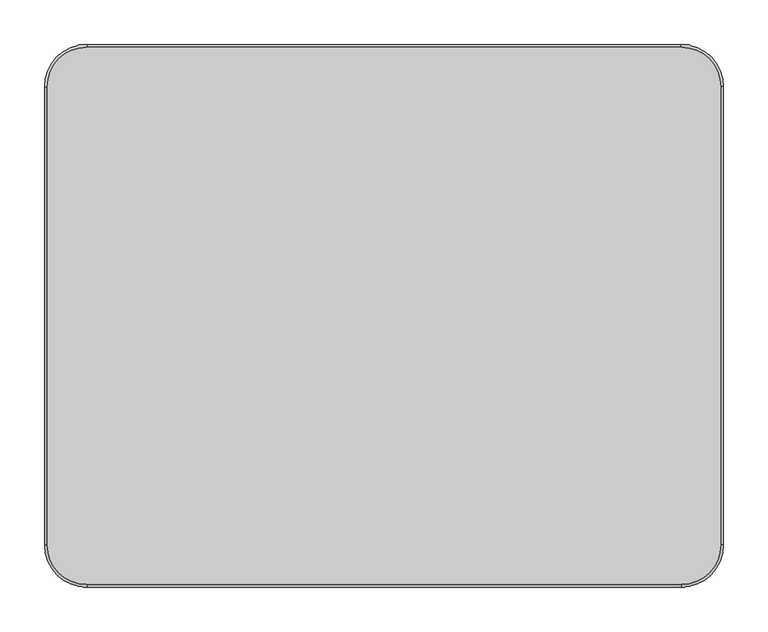
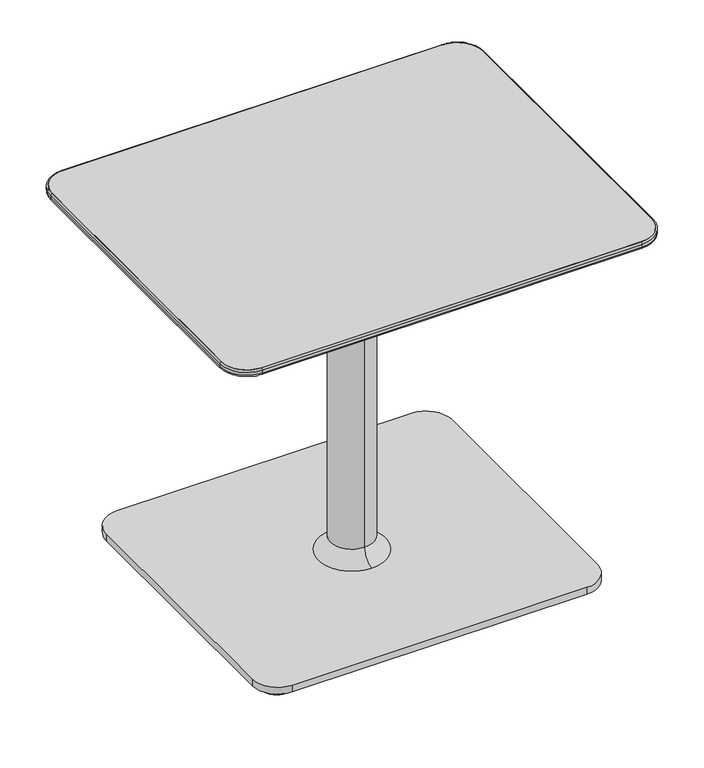
"""IFC4 building model written with IfcOpenShell, lengths in millimetres: furniture geometry."""

from ifc_helpers import new_model, si_unit, point, frame, frame_2d, origin, origin_with_axes, place, context, project, spatial, polyline, circle_curve, ellipse_curve, trimmed, segment, composite_curve, outline, extrude, source, transform, mapped, element, save
from ifc_brep_helpers import plane_surface, cylinder_surface, revolved_surface, spline_surface, advanced_brep


def furniture_f893dfc3(model_context):
    return source(origin(), model_context, "Body", "SolidModel", [
        advanced_brep(
        [(378.2570059, 257.3038988, 648.3724172), (333.8070059, 301.7538988, 648.3724172), (-333.1969941, 301.7538988, 648.3724172), (-377.6469941, 257.3038988, 648.3724172), (-377.6469941, -257.3038988, 648.3724172), (-333.1969941, -301.7538988, 648.3724172), (333.8070059, -301.7538988, 648.3724172), (378.2570059, -257.3038988, 648.3724172), (310.4389826, 233.9365202, 630.3099277), (310.4389826, -233.9365202, 630.3099277), (-309.8289709, -233.9365202, 630.3099277), (-309.8289709, 233.9365202, 630.3099277)],
        [
            (0, 1, circle_curve(frame((333.8070059, 257.3038988, 648.3724172), z_axis=(0.0, 0.0, 1.0), x_axis=(1.0, 0.0, 0.0)), 44.45)),
            (1, 2),
            (2, 3, circle_curve(frame((-333.1969941, 257.3038988, 648.3724172), z_axis=(0.0, 0.0, 1.0), x_axis=(1.0, 0.0, 0.0)), 44.45)),
            (3, 4),
            (4, 5, circle_curve(frame((-333.1969941, -257.3038988, 648.3724172), z_axis=(0.0, 0.0, 1.0), x_axis=(1.0, 0.0, 0.0)), 44.45)),
            (5, 6),
            (6, 7, circle_curve(frame((333.8070059, -257.3038988, 648.3724172), z_axis=(0.0, 0.0, 1.0), x_axis=(1.0, 0.0, 0.0)), 44.45)),
            (7, 0),
            (8, 9),
            (9, 10),
            (10, 11),
            (11, 8),
            (0, 8),
            (8, 1),
            (11, 2),
            (11, 3),
            (10, 4),
            (10, 5),
            (9, 6),
            (9, 7),
        ],
        [
            plane_surface(frame((0.3050059, 0.0, 648.3724172), z_axis=(0.0, 0.0, 1.0), x_axis=(-1.0, 0.0, 0.0))),
            plane_surface(frame((0.3050059, 0.0, 630.3099277), z_axis=(0.0, 0.0, -1.0), x_axis=(-1.0, 0.0, 0.0))),
            spline_surface(2, 1, [[(310.4389826, 233.9365202, 630.3099277), (378.2570059, 257.3038988, 648.3724172)], [(310.4389826, 233.9365202, 630.3099277), (378.2570059000001, 301.75389880000006, 648.3724172)], [(310.4389826, 233.9365202, 630.3099277), (333.8070059, 301.7538988, 648.3724172)]], [3, 3], [2, 2], [0.0, 1.0], [0.0, 1.0], weights=[[1.0, 1.0], [0.7071067811865471, 0.7071067811865471], [1.0, 1.0]]),
            plane_surface(frame((0.3050059, 233.9365202, 630.3099277), z_axis=(0.0, 0.25736805130347623, -0.9663134513025529), x_axis=(-1.0, 0.0, 0.0))),
            spline_surface(2, 1, [[(-309.8289709, 233.9365202, 630.3099277), (-333.1969941, 301.7538988, 648.3724172)], [(-309.8289709, 233.9365202, 630.3099277), (-377.6469941, 301.7538988, 648.3724172)], [(-309.8289709, 233.9365202, 630.3099277), (-377.6469941, 257.3038988, 648.3724172)]], [3, 3], [2, 2], [0.0, 1.0], [0.0, 1.0], weights=[[1.0, 1.0], [0.7071067811865476, 0.7071067811865476], [1.0, 1.0]]),
            plane_surface(frame((-309.8289709, 0.0, 630.3099277), z_axis=(-0.2573657667501397, 0.0, -0.966314059767896), x_axis=(0.0, -1.0, 0.0))),
            spline_surface(2, 1, [[(-309.8289709, -233.9365202, 630.3099277), (-377.6469941, -257.3038988, 648.3724172)], [(-309.8289709, -233.9365202, 630.3099277), (-377.6469941, -301.7538988, 648.3724172)], [(-309.8289709, -233.9365202, 630.3099277), (-333.1969941, -301.7538988, 648.3724172)]], [3, 3], [2, 2], [0.0, 1.0], [0.0, 1.0], weights=[[1.0, 1.0], [0.7071067811865476, 0.7071067811865476], [1.0, 1.0]]),
            plane_surface(frame((0.3050059, -233.9365202, 630.3099277), z_axis=(0.0, -0.257368051303476, -0.966313451302553), x_axis=(1.0, 0.0, 0.0))),
            spline_surface(2, 1, [[(310.4389826, -233.9365202, 630.3099277), (333.8070059, -301.7538988, 648.3724172)], [(310.4389826, -233.9365202, 630.3099277), (378.25700589999997, -301.75389879999994, 648.3724172)], [(310.4389826, -233.9365202, 630.3099277), (378.2570059, -257.3038988, 648.3724172)]], [3, 3], [2, 2], [0.0, 1.0], [0.0, 1.0], weights=[[1.0, 1.0], [0.707106781186548, 0.707106781186548], [1.0, 1.0]]),
            plane_surface(frame((310.4389826, 0.0, 630.3099277), z_axis=(0.2573657667501397, 0.0, -0.966314059767896), x_axis=(0.0, 1.0, 0.0))),
        ],
        [
            (0, [[1, 2, 3, 4, 5, 6, 7, 8]]),
            (1, [[9, 10, 11, 12]]),
            (2, [[-1, 13, 14]]),
            (3, [[-12, 15, -2, -14]]),
            (4, [[-3, -15, 16]]),
            (5, [[-11, 17, -4, -16]]),
            (6, [[-5, -17, 18]]),
            (7, [[-10, 19, -6, -18]]),
            (8, [[-7, -19, 20]]),
            (9, [[-9, -13, -8, -20]]),
        ],
    ),
        extrude(outline(composite_curve([segment(trimmed(circle_curve(frame_2d((333.8070059, 257.3038988)), 44.45), [point((333.8070059, 301.7538988))], [point((378.2570059, 257.3038988))], False, "CARTESIAN"), True, "CONTINUOUS"), segment(polyline([(378.2570059, 257.3038988), (378.2570059, -257.3038988)]), True, "CONTINUOUS"), segment(trimmed(circle_curve(frame_2d((333.8070059, -257.3038988)), 44.45), [point((378.2570059, -257.3038988))], [point((333.8070059, -301.7538988))], False, "CARTESIAN"), True, "CONTINUOUS"), segment(polyline([(333.8070059, -301.7538988), (-333.1969941, -301.7538988)]), True, "CONTINUOUS"), segment(trimmed(circle_curve(frame_2d((-333.1969941, -257.3038988)), 44.45), [point((-333.1969941, -301.7538988))], [point((-377.6469941, -257.3038988))], False, "CARTESIAN"), True, "CONTINUOUS"), segment(polyline([(-377.6469941, -257.3038988), (-377.6469941, 257.3038988)]), True, "CONTINUOUS"), segment(trimmed(circle_curve(frame_2d((-333.1969941, 257.3038988)), 44.45), [point((-377.6469941, 257.3038988))], [point((-333.1969941, 301.7538988))], False, "CARTESIAN"), True, "CONTINUOUS"), segment(polyline([(-333.1969941, 301.7538988), (333.8070059, 301.7538988)]), True, "CONTINUOUS")], self_intersect=False)), frame((0.0, 0.0, 648.3724172), z_axis=(0.0, 0.0, 1.0), x_axis=(1.0, 0.0, 0.0)), (0.0, 0.0, 1.0), 12.0275828),
        extrude(outline(composite_curve([segment(trimmed(circle_curve(frame_2d((-263.0703146, 226.8029495)), 25.4), [point((-288.4703146, 226.8029495))], [point((-237.6703146, 226.8029495))], False, "CARTESIAN"), True, "CONTINUOUS"), segment(trimmed(circle_curve(frame_2d((-263.0703146, 226.8029495)), 25.4), [point((-237.6703146, 226.8029495))], [point((-288.4703146, 226.8029495))], False, "CARTESIAN"), True, "CONTINUOUS")], self_intersect=False)), origin_with_axes(), (0.0, 0.0, 1.0), 10.6571495),
        extrude(outline(composite_curve([segment(trimmed(circle_curve(frame_2d((263.6803263, 226.8029495)), 25.4), [point((238.2803263, 226.8029495))], [point((289.0803263, 226.8029495))], False, "CARTESIAN"), True, "CONTINUOUS"), segment(trimmed(circle_curve(frame_2d((263.6803263, 226.8029495)), 25.4), [point((289.0803263, 226.8029495))], [point((238.2803263, 226.8029495))], False, "CARTESIAN"), True, "CONTINUOUS")], self_intersect=False)), origin_with_axes(), (0.0, 0.0, 1.0), 10.6571495),
        extrude(outline(composite_curve([segment(trimmed(circle_curve(frame_2d((263.6803263, -226.8029495)), 25.4), [point((238.2803263, -226.8029495))], [point((289.0803263, -226.8029495))], False, "CARTESIAN"), True, "CONTINUOUS"), segment(trimmed(circle_curve(frame_2d((263.6803263, -226.8029495)), 25.4), [point((289.0803263, -226.8029495))], [point((238.2803263, -226.8029495))], False, "CARTESIAN"), True, "CONTINUOUS")], self_intersect=False)), origin_with_axes(), (0.0, 0.0, 1.0), 10.6571495),
        extrude(outline(composite_curve([segment(trimmed(circle_curve(frame_2d((-263.0703146, -226.8029495)), 25.4), [point((-288.4703146, -226.8029495))], [point((-237.6703146, -226.8029495))], False, "CARTESIAN"), True, "CONTINUOUS"), segment(trimmed(circle_curve(frame_2d((-263.0703146, -226.8029495)), 25.4), [point((-237.6703146, -226.8029495))], [point((-288.4703146, -226.8029495))], False, "CARTESIAN"), True, "CONTINUOUS")], self_intersect=False)), origin_with_axes(), (0.0, 0.0, 1.0), 10.6571495),
        extrude(outline(composite_curve([segment(trimmed(circle_curve(frame_2d((259.1310059, 222.2481833)), 44.45), [point((259.1310059, 266.6981833))], [point((303.5810059, 222.2481833))], False, "CARTESIAN"), True, "CONTINUOUS"), segment(polyline([(303.5810059, 222.2481833), (303.5810059, -222.2481833)]), True, "CONTINUOUS"), segment(trimmed(circle_curve(frame_2d((259.1310059, -222.2481833)), 44.45), [point((303.5810059, -222.2481833))], [point((259.1310059, -266.6981833))], False, "CARTESIAN"), True, "CONTINUOUS"), segment(polyline([(259.1310059, -266.6981833), (-258.5209941, -266.6981833)]), True, "CONTINUOUS"), segment(trimmed(circle_curve(frame_2d((-258.5209941, -222.2481833)), 44.45), [point((-258.5209941, -266.6981833))], [point((-302.9709941, -222.2481833))], False, "CARTESIAN"), True, "CONTINUOUS"), segment(polyline([(-302.9709941, -222.2481833), (-302.9709941, 222.2481833)]), True, "CONTINUOUS"), segment(trimmed(circle_curve(frame_2d((-258.5209941, 222.2481833)), 44.45), [point((-302.9709941, 222.2481833))], [point((-258.5209941, 266.6981833))], False, "CARTESIAN"), True, "CONTINUOUS"), segment(polyline([(-258.5209941, 266.6981833), (259.1310059, 266.6981833)]), True, "CONTINUOUS")], self_intersect=False)), frame((0.0, 0.0, 10.6571495), z_axis=(0.0, 0.0, 1.0), x_axis=(1.0, 0.0, 0.0)), (0.0, 0.0, 1.0), 12.7000004),
        advanced_brep(
        [(-380.6930954, 257.3038988, 652.1656816), (-333.1969941, 304.8, 652.1656816), (-333.1969941, 301.7538988, 648.3724172), (-377.6469941, 257.3038988, 648.3724172), (-380.6930954, 257.3038988, 657.3538988), (-333.1969941, 304.8, 657.3538988), (-377.6469941, 257.3038988, 660.4), (-333.1969941, 301.7538988, 660.4), (-377.6469941, -257.3038988, 648.3724172), (-380.6930954, -257.3038988, 652.1656816), (-380.6930954, -257.3038988, 657.3538988), (-377.6469941, -257.3038988, 660.4), (-333.1969941, -304.8, 652.1656816), (-333.1969941, -301.7538988, 648.3724172), (-333.1969941, -304.8, 657.3538988), (-333.1969941, -301.7538988, 660.4), (333.8070059, -301.7538988, 648.3724172), (333.8070059, -304.8, 652.1656816), (333.8070059, -304.8, 657.3538988), (333.8070059, -301.7538988, 660.4), (381.3031071, -257.3038988, 652.1656816), (378.2570059, -257.3038988, 648.3724172), (381.3031071, -257.3038988, 657.3538988), (378.2570059, -257.3038988, 660.4), (378.2570059, 257.3038988, 648.3724172), (381.3031071, 257.3038988, 652.1656816), (381.3031071, 257.3038988, 657.3538988), (378.2570059, 257.3038988, 660.4), (333.8070059, 304.8, 652.1656816), (333.8070059, 301.7538988, 648.3724172), (333.8070059, 304.8, 657.3538988), (333.8070059, 301.7538988, 660.4)],
        [
            (0, 1, circle_curve(frame((-333.1969941, 257.3038988, 652.1656816), z_axis=(0.0, 0.0, -1.0), x_axis=(0.0, 1.0, 0.0)), 47.4961012)),
            (1, 2, circle_curve(frame((-333.1969941, 300.9151017, 652.1656816), z_axis=(-1.0, 0.0, 0.0), x_axis=(0.0, -1.0, 0.0)), 3.8848983)),
            (2, 3, circle_curve(frame((-333.1969941, 257.3038988, 648.3724172), z_axis=(0.0, 0.0, 1.0), x_axis=(0.0, 1.0, 0.0)), 44.45)),
            (3, 0, circle_curve(frame((-376.8081971, 257.3038988, 652.1656816), z_axis=(0.0, 1.0, 0.0), x_axis=(1.0, 0.0, 0.0)), 3.8848983)),
            (4, 5, circle_curve(frame((-333.1969941, 257.3038988, 657.3538988), z_axis=(0.0, 0.0, -1.0), x_axis=(0.0, 1.0, 0.0)), 47.4961012)),
            (5, 1),
            (0, 4),
            (6, 7, circle_curve(frame((-333.1969941, 257.3038988, 660.4), z_axis=(0.0, 0.0, -1.0), x_axis=(0.0, 1.0, 0.0)), 44.45)),
            (7, 5, circle_curve(frame((-333.1969941, 301.7538988, 657.3538988), z_axis=(-1.0, 0.0, 0.0), x_axis=(0.0, -1.0, 0.0)), 3.0461012)),
            (4, 6, circle_curve(frame((-377.6469941, 257.3038988, 657.3538988), z_axis=(0.0, 1.0, 0.0), x_axis=(1.0, 0.0, 0.0)), 3.0461012)),
            (2, 7),
            (6, 3),
            (3, 8),
            (8, 9, circle_curve(frame((-376.8081971, -257.3038988, 652.1656816), z_axis=(0.0, 1.0, 0.0), x_axis=(1.0, 0.0, 0.0)), 3.8848983)),
            (9, 0),
            (9, 10),
            (10, 4),
            (10, 11, circle_curve(frame((-377.6469941, -257.3038988, 657.3538988), z_axis=(0.0, 1.0, 0.0), x_axis=(1.0, 0.0, 0.0)), 3.0461012)),
            (11, 6),
            (11, 8),
            (12, 9, circle_curve(frame((-333.1969941, -257.3038988, 652.1656816), z_axis=(0.0, 0.0, -1.0), x_axis=(-1.0, 0.0, 0.0)), 47.4961012)),
            (8, 13, circle_curve(frame((-333.1969941, -257.3038988, 648.3724172), z_axis=(0.0, 0.0, 1.0), x_axis=(-1.0, 0.0, 0.0)), 44.45)),
            (13, 12, circle_curve(frame((-333.1969941, -300.9151017, 652.1656816), z_axis=(-1.0, 0.0, 0.0), x_axis=(0.0, 1.0, 0.0)), 3.8848983)),
            (14, 10, circle_curve(frame((-333.1969941, -257.3038988, 657.3538988), z_axis=(0.0, 0.0, -1.0), x_axis=(-1.0, 0.0, 0.0)), 47.4961012)),
            (12, 14),
            (15, 11, circle_curve(frame((-333.1969941, -257.3038988, 660.4), z_axis=(0.0, 0.0, -1.0), x_axis=(-1.0, 0.0, 0.0)), 44.45)),
            (14, 15, circle_curve(frame((-333.1969941, -301.7538988, 657.3538988), z_axis=(-1.0, 0.0, 0.0), x_axis=(0.0, 1.0, 0.0)), 3.0461012)),
            (15, 13),
            (13, 16),
            (16, 17, circle_curve(frame((333.8070059, -300.9151017, 652.1656816), z_axis=(-1.0, 0.0, 0.0), x_axis=(0.0, 1.0, 0.0)), 3.8848983)),
            (17, 12),
            (17, 18),
            (18, 14),
            (18, 19, circle_curve(frame((333.8070059, -301.7538988, 657.3538988), z_axis=(-1.0, 0.0, 0.0), x_axis=(0.0, 1.0, 0.0)), 3.0461012)),
            (19, 15),
            (19, 16),
            (20, 17, circle_curve(frame((333.8070059, -257.3038988, 652.1656816), z_axis=(0.0, 0.0, -1.0), x_axis=(0.0, -1.0, 0.0)), 47.4961012)),
            (16, 21, circle_curve(frame((333.8070059, -257.3038988, 648.3724172), z_axis=(0.0, 0.0, 1.0), x_axis=(0.0, -1.0, 0.0)), 44.45)),
            (21, 20, circle_curve(frame((377.4182088, -257.3038988, 652.1656816), z_axis=(0.0, -1.0, 0.0), x_axis=(-1.0, 0.0, 0.0)), 3.8848983)),
            (22, 18, circle_curve(frame((333.8070059, -257.3038988, 657.3538988), z_axis=(0.0, 0.0, -1.0), x_axis=(0.0, -1.0, 0.0)), 47.4961012)),
            (20, 22),
            (23, 19, circle_curve(frame((333.8070059, -257.3038988, 660.4), z_axis=(0.0, 0.0, -1.0), x_axis=(0.0, -1.0, 0.0)), 44.45)),
            (22, 23, circle_curve(frame((378.2570059, -257.3038988, 657.3538988), z_axis=(0.0, -1.0, 0.0), x_axis=(-1.0, 0.0, 0.0)), 3.0461012)),
            (23, 21),
            (21, 24),
            (24, 25, circle_curve(frame((377.4182088, 257.3038988, 652.1656816), z_axis=(0.0, -1.0, 0.0), x_axis=(-1.0, 0.0, 0.0)), 3.8848983)),
            (25, 20),
            (25, 26),
            (26, 22),
            (26, 27, circle_curve(frame((378.2570059, 257.3038988, 657.3538988), z_axis=(0.0, -1.0, 0.0), x_axis=(-1.0, 0.0, 0.0)), 3.0461012)),
            (27, 23),
            (27, 24),
            (28, 25, circle_curve(frame((333.8070059, 257.3038988, 652.1656816), z_axis=(0.0, 0.0, -1.0), x_axis=(1.0, 0.0, 0.0)), 47.4961012)),
            (24, 29, circle_curve(frame((333.8070059, 257.3038988, 648.3724172), z_axis=(0.0, 0.0, 1.0), x_axis=(1.0, 0.0, 0.0)), 44.45)),
            (29, 28, circle_curve(frame((333.8070059, 300.9151017, 652.1656816), z_axis=(1.0, 0.0, 0.0), x_axis=(0.0, -1.0, 0.0)), 3.8848983)),
            (30, 26, circle_curve(frame((333.8070059, 257.3038988, 657.3538988), z_axis=(0.0, 0.0, -1.0), x_axis=(1.0, 0.0, 0.0)), 47.4961012)),
            (28, 30),
            (31, 27, circle_curve(frame((333.8070059, 257.3038988, 660.4), z_axis=(0.0, 0.0, -1.0), x_axis=(1.0, 0.0, 0.0)), 44.45)),
            (30, 31, circle_curve(frame((333.8070059, 301.7538988, 657.3538988), z_axis=(1.0, 0.0, 0.0), x_axis=(0.0, -1.0, 0.0)), 3.0461012)),
            (31, 29),
            (29, 2),
            (1, 28),
            (5, 30),
            (7, 31),
        ],
        [
            revolved_surface(trimmed(ellipse_curve(frame((-333.1969941, 300.9151017, 652.1656816), z_axis=(1.0, 0.0, 0.0), x_axis=(0.0, -1.0, 0.0)), 3.8848983, 3.8848983), [point((-333.1969941, 301.7538988, 648.3724172))], [point((-333.1969941, 304.8, 652.1656816))], True, "CARTESIAN"), (-333.1969941, 257.3038988, 0.0), (0.0, 0.0, 1.0)),
            cylinder_surface(frame((-333.1969941, 257.3038988, 0.0), z_axis=(0.0, 0.0, 1.0), x_axis=(0.0, 1.0, 0.0)), 47.4961012),
            revolved_surface(trimmed(ellipse_curve(frame((-333.1969941, 301.7538988, 657.3538988), z_axis=(1.0, 0.0, 0.0), x_axis=(0.0, -1.0, 0.0)), 3.0461012, 3.0461012), [point((-333.1969941, 304.8, 657.3538988))], [point((-333.1969941, 301.7538988, 660.4))], True, "CARTESIAN"), (-333.1969941, 257.3038988, 0.0), (0.0, 0.0, 1.0)),
            revolved_surface(polyline([(-333.1969941, 301.7538988, 660.4), (-333.1969941, 301.7538988, 648.3724172)]), (-333.1969941, 257.3038988, 0.0), (0.0, 0.0, 1.0)),
            cylinder_surface(frame((-376.8081971, 257.3038988, 652.1656816), z_axis=(0.0, 1.0, 0.0), x_axis=(1.0, 0.0, 0.0)), 3.8848983),
            plane_surface(frame((-380.6930954, 257.3038988, 652.1656816), z_axis=(-1.0, 0.0, 0.0), x_axis=(0.0, -1.0, 0.0))),
            cylinder_surface(frame((-377.6469941, 257.3038988, 657.3538988), z_axis=(0.0, 1.0, 0.0), x_axis=(1.0, 0.0, 0.0)), 3.0461012),
            plane_surface(frame((-377.6469941, 257.3038988, 660.4), z_axis=(1.0, 0.0, 0.0), x_axis=(0.0, -1.0, 0.0))),
            revolved_surface(trimmed(ellipse_curve(frame((-376.8081971, -257.3038988, 652.1656816), z_axis=(0.0, 1.0, 0.0), x_axis=(1.0, 0.0, 0.0)), 3.8848983, 3.8848983), [point((-377.6469941, -257.3038988, 648.3724172))], [point((-380.6930954, -257.3038988, 652.1656816))], True, "CARTESIAN"), (-333.1969941, -257.3038988, 0.0), (0.0, 0.0, 1.0)),
            cylinder_surface(frame((-333.1969941, -257.3038988, 0.0), z_axis=(0.0, 0.0, 1.0), x_axis=(-1.0, 0.0, 0.0)), 47.4961012),
            revolved_surface(trimmed(ellipse_curve(frame((-377.6469941, -257.3038988, 657.3538988), z_axis=(0.0, 1.0, 0.0), x_axis=(1.0, 0.0, 0.0)), 3.0461012, 3.0461012), [point((-380.6930954, -257.3038988, 657.3538988))], [point((-377.6469941, -257.3038988, 660.4))], True, "CARTESIAN"), (-333.1969941, -257.3038988, 0.0), (0.0, 0.0, 1.0)),
            revolved_surface(polyline([(-377.6469941, -257.3038988, 660.4), (-377.6469941, -257.3038988, 648.3724172)]), (-333.1969941, -257.3038988, 0.0), (0.0, 0.0, 1.0)),
            cylinder_surface(frame((-333.1969941, -300.9151017, 652.1656816), z_axis=(-1.0, 0.0, 0.0), x_axis=(0.0, 1.0, 0.0)), 3.8848983),
            plane_surface(frame((-333.1969941, -304.8, 652.1656816), z_axis=(0.0, -1.0, 0.0), x_axis=(1.0, 0.0, 0.0))),
            cylinder_surface(frame((-333.1969941, -301.7538988, 657.3538988), z_axis=(-1.0, 0.0, 0.0), x_axis=(0.0, 1.0, 0.0)), 3.0461012),
            plane_surface(frame((-333.1969941, -301.7538988, 660.4), z_axis=(0.0, 1.0, 0.0), x_axis=(1.0, 0.0, 0.0))),
            revolved_surface(trimmed(ellipse_curve(frame((333.8070059, -300.9151017, 652.1656816), z_axis=(-1.0, 0.0, 0.0), x_axis=(0.0, 1.0, 0.0)), 3.8848983, 3.8848983), [point((333.8070059, -301.7538988, 648.3724172))], [point((333.8070059, -304.8, 652.1656816))], True, "CARTESIAN"), (333.8070059, -257.3038988, 0.0), (0.0, 0.0, 1.0)),
            cylinder_surface(frame((333.8070059, -257.3038988, 0.0), z_axis=(0.0, 0.0, 1.0), x_axis=(0.0, -1.0, 0.0)), 47.4961012),
            revolved_surface(trimmed(ellipse_curve(frame((333.8070059, -301.7538988, 657.3538988), z_axis=(-1.0, 0.0, 0.0), x_axis=(0.0, 1.0, 0.0)), 3.0461012, 3.0461012), [point((333.8070059, -304.8, 657.3538988))], [point((333.8070059, -301.7538988, 660.4))], True, "CARTESIAN"), (333.8070059, -257.3038988, 0.0), (0.0, 0.0, 1.0)),
            revolved_surface(polyline([(333.8070059, -301.7538988, 660.4), (333.8070059, -301.7538988, 648.3724172)]), (333.8070059, -257.3038988, 0.0), (0.0, 0.0, 1.0)),
            cylinder_surface(frame((377.4182088, -257.3038988, 652.1656816), z_axis=(0.0, -1.0, 0.0), x_axis=(-1.0, 0.0, 0.0)), 3.8848983),
            plane_surface(frame((381.3031071, -257.3038988, 652.1656816), z_axis=(1.0, 0.0, 0.0), x_axis=(0.0, 1.0, 0.0))),
            cylinder_surface(frame((378.2570059, -257.3038988, 657.3538988), z_axis=(0.0, -1.0, 0.0), x_axis=(-1.0, 0.0, 0.0)), 3.0461012),
            plane_surface(frame((378.2570059, -257.3038988, 660.4), z_axis=(-1.0, 0.0, 0.0), x_axis=(0.0, 1.0, 0.0))),
            revolved_surface(trimmed(ellipse_curve(frame((377.4182088, 257.3038988, 652.1656816), z_axis=(0.0, -1.0, 0.0), x_axis=(-1.0, 0.0, 0.0)), 3.8848983, 3.8848983), [point((378.2570059, 257.3038988, 648.3724172))], [point((381.3031071, 257.3038988, 652.1656816))], True, "CARTESIAN"), (333.8070059, 257.3038988, 0.0), (0.0, 0.0, 1.0)),
            cylinder_surface(frame((333.8070059, 257.3038988, 0.0), z_axis=(0.0, 0.0, 1.0), x_axis=(1.0, 0.0, 0.0)), 47.4961012),
            revolved_surface(trimmed(ellipse_curve(frame((378.2570059, 257.3038988, 657.3538988), z_axis=(0.0, -1.0, 0.0), x_axis=(-1.0, 0.0, 0.0)), 3.0461012, 3.0461012), [point((381.3031071, 257.3038988, 657.3538988))], [point((378.2570059, 257.3038988, 660.4))], True, "CARTESIAN"), (333.8070059, 257.3038988, 0.0), (0.0, 0.0, 1.0)),
            revolved_surface(polyline([(378.25700589999997, 257.3038988, 660.4), (378.25700589999997, 257.3038988, 648.3724172)]), (333.8070059, 257.3038988, 0.0), (0.0, 0.0, 1.0)),
            cylinder_surface(frame((333.8070059, 300.9151017, 652.1656816), z_axis=(1.0, 0.0, 0.0), x_axis=(0.0, -1.0, 0.0)), 3.8848983),
            plane_surface(frame((333.8070059, 304.8, 652.1656816), z_axis=(0.0, 1.0, 0.0), x_axis=(-1.0, 0.0, 0.0))),
            cylinder_surface(frame((333.8070059, 301.7538988, 657.3538988), z_axis=(1.0, 0.0, 0.0), x_axis=(0.0, -1.0, 0.0)), 3.0461012),
            plane_surface(frame((333.8070059, 301.7538988, 660.4), z_axis=(0.0, -1.0, 0.0), x_axis=(-1.0, 0.0, 0.0))),
        ],
        [
            (0, [[1, 2, 3, 4]]),
            (1, [[5, 6, -1, 7]]),
            (2, [[8, 9, -5, 10]]),
            (3, [[-3, 11, -8, 12]]),
            (4, [[-4, 13, 14, 15]]),
            (5, [[-7, -15, 16, 17]]),
            (6, [[-10, -17, 18, 19]]),
            (7, [[-12, -19, 20, -13]]),
            (8, [[21, -14, 22, 23]]),
            (9, [[24, -16, -21, 25]]),
            (10, [[26, -18, -24, 27]]),
            (11, [[-22, -20, -26, 28]]),
            (12, [[-23, 29, 30, 31]]),
            (13, [[-25, -31, 32, 33]]),
            (14, [[-27, -33, 34, 35]]),
            (15, [[-28, -35, 36, -29]]),
            (16, [[37, -30, 38, 39]]),
            (17, [[40, -32, -37, 41]]),
            (18, [[42, -34, -40, 43]]),
            (19, [[-38, -36, -42, 44]]),
            (20, [[-39, 45, 46, 47]]),
            (21, [[-41, -47, 48, 49]]),
            (22, [[-43, -49, 50, 51]]),
            (23, [[-44, -51, 52, -45]]),
            (24, [[53, -46, 54, 55]]),
            (25, [[56, -48, -53, 57]]),
            (26, [[58, -50, -56, 59]]),
            (27, [[-54, -52, -58, 60]]),
            (28, [[-55, 61, -2, 62]]),
            (29, [[-57, -62, -6, 63]]),
            (30, [[-59, -63, -9, 64]]),
            (31, [[-60, -64, -11, -61]]),
        ],
    ),
        advanced_brep(
        [(0.3050059, -37.9287895, 500.8567695), (0.3050059, 37.9287895, 500.8567695), (0.3050059, 37.9287895, 50.0429711), (0.3050059, -37.9287895, 50.0429711), (0.3050059, -59.3395816, 538.8698908), (0.3050059, 59.3395816, 538.8698908), (0.3050059, -197.9068019, 622.8534968), (0.3050059, 197.9068019, 622.8534968), (0.3050059, -212.4265152, 626.9101307), (0.3050059, 212.4265152, 626.9101307), (0.3050059, -226.4292749, 626.9101307), (0.3050059, 226.4292749, 626.9101307), (0.3050059, -228.4774392, 630.3099277), (0.3050059, 228.4774392, 630.3099277), (0.3050059, 0.0, 630.3099277), (0.3050059, -60.2304855, 23.3571499), (0.3050059, 60.2304855, 23.3571499), (0.3050059, 0.0, 23.3571499)],
        [
            (0, 1, circle_curve(frame((0.3050059, 0.0, 500.8567695), z_axis=(0.0, 0.0, -1.0), x_axis=(0.0, 1.0, 0.0)), 37.9287895)),
            (1, 2),
            (2, 3, circle_curve(frame((0.3050059, 0.0, 50.0429711), z_axis=(0.0, 0.0, 1.0), x_axis=(0.0, 1.0, 0.0)), 37.9287895)),
            (3, 0),
            (1, 0, circle_curve(frame((0.3050059, 0.0, 500.8567695), z_axis=(0.0, 0.0, -1.0), x_axis=(0.0, 1.0, 0.0)), 37.9287895)),
            (3, 2, circle_curve(frame((0.3050059, 0.0, 50.0429711), z_axis=(0.0, 0.0, 1.0), x_axis=(0.0, 1.0, 0.0)), 37.9287895)),
            (4, 5, circle_curve(frame((0.3050059, 0.0, 538.8698908), z_axis=(0.0, 0.0, -1.0), x_axis=(0.0, 1.0, 0.0)), 59.3395816)),
            (5, 1, circle_curve(frame((0.3050059, 82.3787895, 500.8567695), z_axis=(1.0, 0.0, 0.0), x_axis=(0.0, 1.0, 0.0)), 44.45)),
            (0, 4, circle_curve(frame((0.3050059, -82.3787895, 500.8567695), z_axis=(1.0, 0.0, 0.0), x_axis=(0.0, -1.0, 0.0)), 44.45)),
            (5, 4, circle_curve(frame((0.3050059, 0.0, 538.8698908), z_axis=(0.0, 0.0, -1.0), x_axis=(0.0, 1.0, 0.0)), 59.3395816)),
            (6, 7, circle_curve(frame((0.3050059, 0.0, 622.8534968), z_axis=(0.0, 0.0, -1.0), x_axis=(0.0, 1.0, 0.0)), 197.9068019)),
            (7, 5),
            (4, 6),
            (7, 6, circle_curve(frame((0.3050059, 0.0, 622.8534968), z_axis=(0.0, 0.0, -1.0), x_axis=(0.0, 1.0, 0.0)), 197.9068019)),
            (8, 9, circle_curve(frame((0.3050059, 0.0, 626.9101307), z_axis=(0.0, 0.0, -1.0), x_axis=(0.0, 1.0, 0.0)), 212.4265152)),
            (9, 7, circle_curve(frame((0.3050059, 212.4265152, 598.8969605), z_axis=(1.0, 0.0, 0.0), x_axis=(0.0, 1.0, 0.0)), 28.0131702)),
            (6, 8, circle_curve(frame((0.3050059, -212.4265152, 598.8969605), z_axis=(1.0, 0.0, 0.0), x_axis=(0.0, -1.0, 0.0)), 28.0131702)),
            (9, 8, circle_curve(frame((0.3050059, 0.0, 626.9101307), z_axis=(0.0, 0.0, -1.0), x_axis=(0.0, 1.0, 0.0)), 212.4265152)),
            (10, 11, circle_curve(frame((0.3050059, 0.0, 626.9101307), z_axis=(0.0, 0.0, -1.0), x_axis=(0.0, 1.0, 0.0)), 226.4292749)),
            (11, 9),
            (8, 10),
            (11, 10, circle_curve(frame((0.3050059, 0.0, 626.9101307), z_axis=(0.0, 0.0, -1.0), x_axis=(0.0, 1.0, 0.0)), 226.4292749)),
            (12, 13, circle_curve(frame((0.3050059, 0.0, 630.3099277), z_axis=(0.0, 0.0, -1.0), x_axis=(0.0, 1.0, 0.0)), 228.4774392)),
            (13, 11, circle_curve(frame((0.3050059, 226.4292749, 629.2269744), z_axis=(-1.0, 0.0, 0.0), x_axis=(0.0, 1.0, 0.0)), 2.3168437)),
            (10, 12, circle_curve(frame((0.3050059, -226.4292749, 629.2269744), z_axis=(-1.0, 0.0, 0.0), x_axis=(0.0, -1.0, 0.0)), 2.3168437)),
            (13, 12, circle_curve(frame((0.3050059, 0.0, 630.3099277), z_axis=(0.0, 0.0, -1.0), x_axis=(0.0, 1.0, 0.0)), 228.4774392)),
            (14, 13),
            (12, 14),
            (15, 16, circle_curve(frame((0.3050059, 0.0, 23.3571499), z_axis=(0.0, 0.0, -1.0), x_axis=(0.0, 1.0, 0.0)), 60.2304855)),
            (16, 17),
            (17, 15),
            (16, 15, circle_curve(frame((0.3050059, 0.0, 23.3571499), z_axis=(0.0, 0.0, -1.0), x_axis=(0.0, 1.0, 0.0)), 60.2304855)),
            (2, 16, circle_curve(frame((0.3050059, 65.045532, 50.0429711), z_axis=(1.0, 0.0, 0.0), x_axis=(0.0, 1.0, 0.0)), 27.1167425)),
            (15, 3, circle_curve(frame((0.3050059, -65.045532, 50.0429711), z_axis=(1.0, 0.0, 0.0), x_axis=(0.0, -1.0, 0.0)), 27.1167425)),
        ],
        [
            cylinder_surface(frame((0.3050059, 0.0, 738.2745102), z_axis=(0.0, 0.0, 1.0), x_axis=(0.0, 1.0, 0.0)), 37.9287895),
            revolved_surface(trimmed(ellipse_curve(frame((0.3050059, 82.3787895, 500.8567695), z_axis=(-1.0, 0.0, 0.0), x_axis=(0.0, 1.0, 0.0)), 44.45, 44.45), [point((0.3050059, 37.9287895, 500.8567695))], [point((0.3050059, 59.3395816, 538.8698908))], True, "CARTESIAN"), (0.3050059, 0.0, 738.2745102), (0.0, 0.0, 1.0)),
            revolved_surface(polyline([(0.3050059, 59.3395816, 538.8698908), (0.3050059, 197.9068019, 622.8534968)]), (0.3050059, 0.0, 738.2745102), (0.0, 0.0, 1.0)),
            revolved_surface(trimmed(ellipse_curve(frame((0.3050059, 212.4265152, 598.8969605), z_axis=(-1.0, 0.0, 0.0), x_axis=(0.0, 1.0, 0.0)), 28.0131702, 28.0131702), [point((0.3050059, 197.9068019, 622.8534968))], [point((0.3050059, 212.4265152, 626.9101307))], True, "CARTESIAN"), (0.3050059, 0.0, 738.2745102), (0.0, 0.0, 1.0)),
            plane_surface(frame((0.3050059, 0.0, 626.9101307), z_axis=(0.0, 0.0, -1.0), x_axis=(0.0, 1.0, 0.0))),
            revolved_surface(trimmed(ellipse_curve(frame((0.3050059, 226.4292749, 629.2269744), z_axis=(1.0, 0.0, 0.0), x_axis=(0.0, 1.0, 0.0)), 2.3168437, 2.3168437), [point((0.3050059, 226.4292749, 626.9101307))], [point((0.3050059, 228.4774392, 630.3099277))], True, "CARTESIAN"), (0.3050059, 0.0, 738.2745102), (0.0, 0.0, 1.0)),
            plane_surface(frame((0.3050059, 0.0, 630.3099277), z_axis=(0.0, 0.0, 1.0), x_axis=(0.0, 1.0, 0.0))),
            plane_surface(frame((0.3050059, 0.0, 23.3571499), z_axis=(0.0, 0.0, -1.0), x_axis=(0.0, 1.0, 0.0))),
            revolved_surface(trimmed(ellipse_curve(frame((0.3050059, 65.045532, 50.0429711), z_axis=(-1.0, 0.0, 0.0), x_axis=(0.0, 1.0, 0.0)), 27.1167425, 27.1167425), [point((0.3050059, 60.2304855, 23.3571499))], [point((0.3050059, 37.9287895, 50.0429711))], True, "CARTESIAN"), (0.3050059, 0.0, 738.2745102), (0.0, 0.0, 1.0)),
        ],
        [
            (0, [[1, 2, 3, 4]]),
            (0, [[5, -4, 6, -2]]),
            (1, [[7, 8, -1, 9]]),
            (1, [[10, -9, -5, -8]]),
            (2, [[11, 12, -7, 13]]),
            (2, [[14, -13, -10, -12]]),
            (3, [[15, 16, -11, 17]]),
            (3, [[18, -17, -14, -16]]),
            (4, [[19, 20, -15, 21]]),
            (4, [[22, -21, -18, -20]]),
            (5, [[23, 24, -19, 25]]),
            (5, [[26, -25, -22, -24]]),
            (6, [[27, -23, 28]]),
            (6, [[-28, -26, -27]]),
            (7, [[29, 30, 31]]),
            (7, [[32, -31, -30]]),
            (8, [[-3, 33, -29, 34]]),
            (8, [[-6, -34, -32, -33]]),
        ],
    ),
    ])


if __name__ == "__main__":
    model = new_model("IFC4")
    model_context = context("Model", 3, world=origin())
    ifc_project = project(units=[si_unit("LENGTHUNIT", "METRE", prefix="MILLI")], contexts=[model_context])
    site = spatial("IfcSite", under=ifc_project)
    building = spatial("IfcBuilding", under=site)
    placement = place(None, origin())
    furniture_shape = furniture_f893dfc3(model_context)
    element("IfcFurniture", 1, at=placement, inside=building, context=model_context, shape_type="MappedRepresentation", body=[
        mapped(furniture_shape, transform((0.0, 0.0, 0.0), x_axis=(1.0, 0.0, 0.0), y_axis=(0.0, 1.0, 0.0), z_axis=(0.0, 0.0, 1.0))),
    ])
    save(model, "model.ifc")
